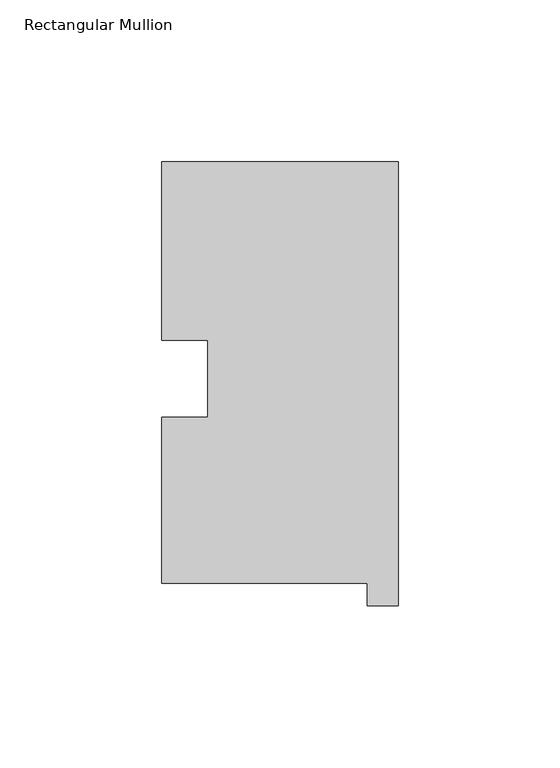
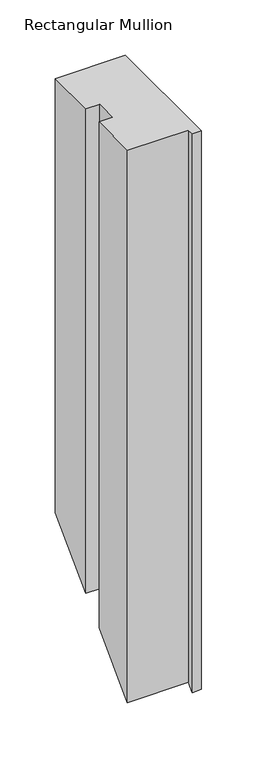
"""IFC4 building model written with IfcOpenShell, lengths in millimetres: member geometry, Rectangular Mullion."""

from ifc_helpers import new_model, si_unit, origin, place, context, project, spatial, faceted_brep, source, transform, mapped, element, save


def rectangular_mullion_db851328(model_context):
    return source(origin(), model_context, "Body", "Brep", [
        faceted_brep([(-9.525, 0.26035, 0.0), (-9.525, -6.64845, 0.0), (0.0, -6.64845, 0.0), (0.0, 130.56235, 0.0), (-73.025, 130.56235, 0.0), (-73.025, 75.40625, 0.0), (-58.785125, 75.40625, 0.0), (-58.785125, 51.60645, 0.0), (-73.025, 51.60645, 0.0), (-73.025, 0.26035, 0.0), (-73.025, 0.26035, -609.3079), (-9.525, 0.26035, -609.3079), (-73.025, 51.60645, -557.9618), (-58.785125, 51.60645, -557.9618), (-58.785125, 75.40625, -534.162), (-73.025, 75.40625, -534.162), (-73.025, 130.56235, -479.0059), (0.0, 130.56235, -479.0059), (0.0, -6.64845, -616.2167), (-9.525, -6.64845, -616.2167)], [[[0, 1, 2, 3, 4, 5, 6, 7, 8, 9]], [[0, 9, 10, 11]], [[9, 8, 12, 10]], [[8, 7, 13, 12]], [[7, 6, 14, 13]], [[6, 5, 15, 14]], [[5, 4, 16, 15]], [[4, 3, 17, 16]], [[3, 2, 18, 17]], [[2, 1, 19, 18]], [[1, 0, 11, 19]], [[11, 10, 12, 13, 14, 15, 16, 17, 18, 19]]]),
    ])


if __name__ == "__main__":
    model = new_model("IFC4")
    model_context = context("Model", 3, world=origin())
    ifc_project = project(units=[si_unit("LENGTHUNIT", "METRE", prefix="MILLI")], contexts=[model_context])
    site = spatial("IfcSite", under=ifc_project)
    building = spatial("IfcBuilding", under=site)
    placement = place(None, origin())
    rectangular_mullion_shape = rectangular_mullion_db851328(model_context)
    element("IfcMember", 1, ObjectType="Rectangular Mullion", at=placement, inside=building, context=model_context, shape_type="MappedRepresentation", body=[
        mapped(rectangular_mullion_shape, transform((0.0, 0.0, 0.0), x_axis=(1.0, 0.0, 0.0), y_axis=(0.0, 1.0, 0.0), z_axis=(0.0, 0.0, 1.0))),
    ])
    save(model, "model.ifc")
